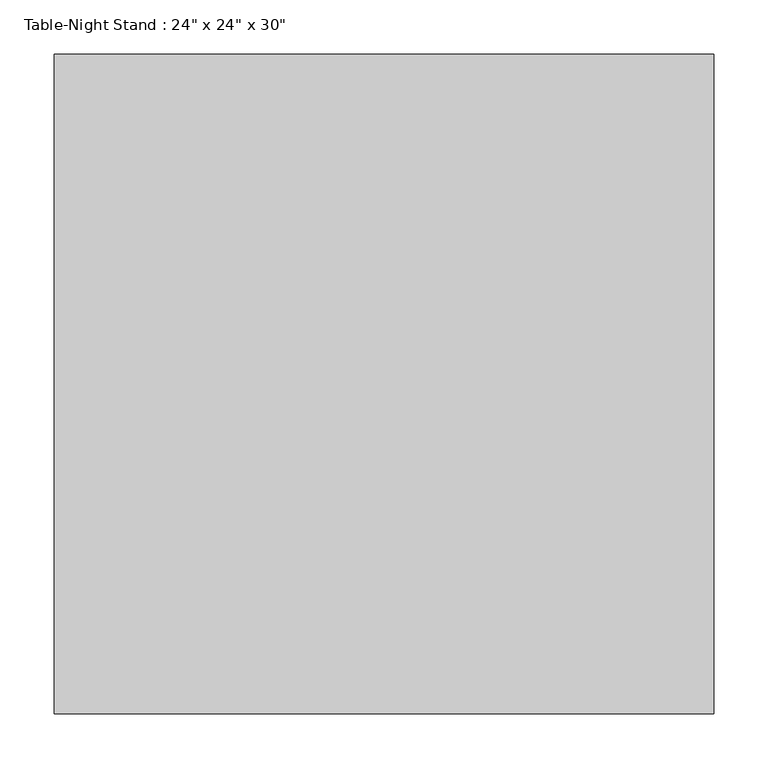
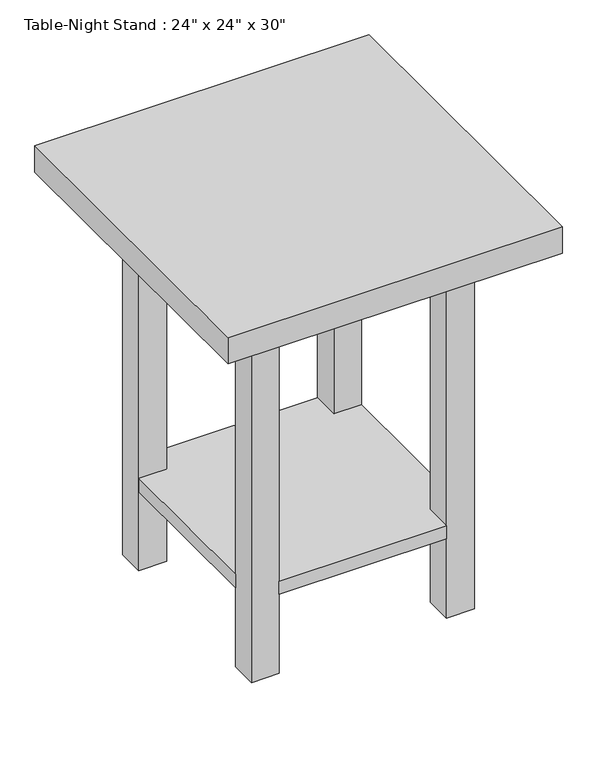
"""IFC4 building model written with IfcOpenShell, lengths in millimetres: furniture geometry."""

from ifc_helpers import new_model, si_unit, frame, origin, origin_with_axes, place, context, project, spatial, polyline, outline, extrude, source, transform, mapped, element, save


def furniture_00647945(model_context):
    return source(origin(), model_context, "Body", "SweptSolid", [
        extrude(outline(polyline([(156.1336303, -508.0), (156.1336303, -457.2), (105.3336303, -457.2), (105.3336303, -152.4), (156.1336303, -152.4), (156.1336303, -101.6), (460.9336303, -101.6), (460.9336303, -152.4), (511.7336303, -152.4), (511.7336303, -457.2), (460.9336303, -457.2), (460.9336303, -508.0), (156.1336303, -508.0)])), frame((0.0, 0.0, 152.4), z_axis=(0.0, 0.0, 1.0), x_axis=(1.0, 0.0, 0.0)), (0.0, 0.0, 1.0), 25.4),
        extrude(outline(polyline([(156.1336303, -508.0), (105.3336303, -508.0), (105.3336303, -457.2), (156.1336303, -457.2), (156.1336303, -508.0)])), origin_with_axes(), (0.0, 0.0, 1.0), 711.2),
        extrude(outline(polyline([(156.1336303, -152.4), (105.3336303, -152.4), (105.3336303, -101.6), (156.1336303, -101.6), (156.1336303, -152.4)])), origin_with_axes(), (0.0, 0.0, 1.0), 711.2),
        extrude(outline(polyline([(511.7336303, -508.0), (460.9336303, -508.0), (460.9336303, -457.2), (511.7336303, -457.2), (511.7336303, -508.0)])), origin_with_axes(), (0.0, 0.0, 1.0), 711.2),
        extrude(outline(polyline([(511.7336303, -152.4), (460.9336303, -152.4), (460.9336303, -101.6), (511.7336303, -101.6), (511.7336303, -152.4)])), origin_with_axes(), (0.0, 0.0, 1.0), 711.2),
        extrude(outline(polyline([(613.3336303, 0.0), (613.3336303, -609.6), (3.7336303, -609.6), (3.7336303, 0.0), (613.3336303, 0.0)])), frame((0.0, 0.0, 711.2), z_axis=(0.0, 0.0, 1.0), x_axis=(1.0, 0.0, 0.0)), (0.0, 0.0, 1.0), 50.8),
    ])


if __name__ == "__main__":
    model = new_model("IFC4")
    model_context = context("Model", 3, world=origin())
    ifc_project = project(units=[si_unit("LENGTHUNIT", "METRE", prefix="MILLI")], contexts=[model_context])
    site = spatial("IfcSite", under=ifc_project)
    building = spatial("IfcBuilding", under=site)
    placement = place(None, origin())
    furniture_shape = furniture_00647945(model_context)
    element("IfcFurniture", 1, ObjectType="Table-Night Stand : 24\" x 24\" x 30\"", at=placement, inside=building, context=model_context, shape_type="MappedRepresentation", body=[
        mapped(furniture_shape, transform((0.0, 0.0, 0.0), x_axis=(1.0, 0.0, 0.0), y_axis=(0.0, 1.0, 0.0), z_axis=(0.0, 0.0, 1.0))),
    ])
    save(model, "model.ifc")
